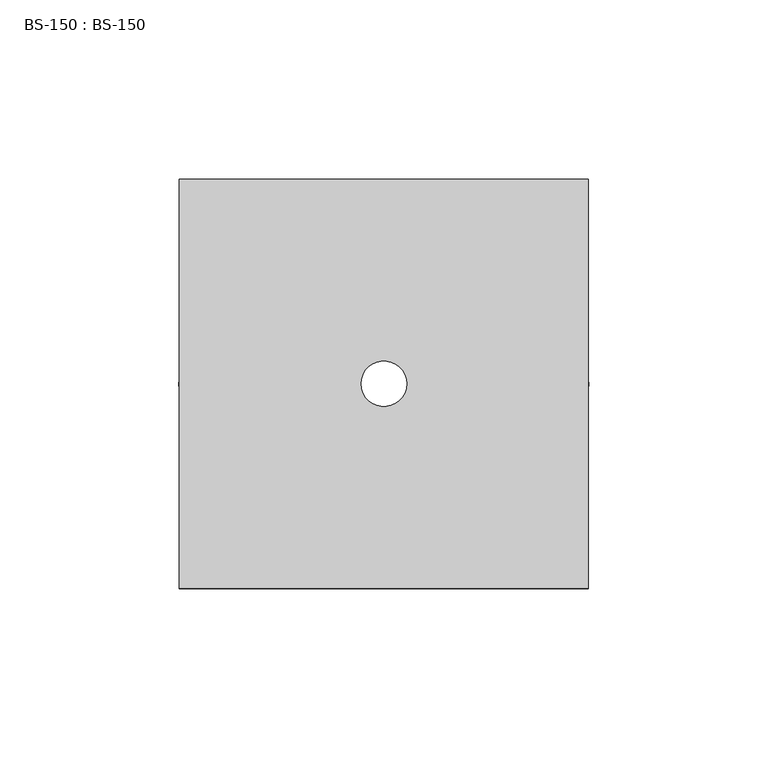
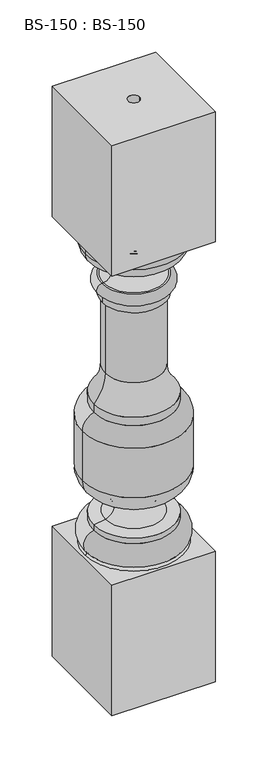
"""IFC4 building model written with IfcOpenShell, lengths in millimetres: proxy geometry, BS-150 : BS-150."""

from ifc_helpers import new_model, si_unit, point, frame, origin, place, context, project, spatial, polyline, circle_curve, ellipse_curve, trimmed, source, transform, mapped, element, save
from ifc_brep_helpers import plane_surface, cylinder_surface, revolved_surface, advanced_brep


def bs_150_bs_150_5f5358f5(model_context):
    return source(origin(), model_context, "Body", "AdvancedBrep", [
        advanced_brep(
        [(54.0969186, 0.0, 514.35), (54.0011339, 0.0, 504.8804325), (-54.0011339, 0.0, 504.8804325), (-54.0969186, 0.0, 514.35), (-53.1294174, 0.0, 155.7137021), (53.1294174, 0.0, 155.7137021), (54.2611446, 0.0, 152.4), (-54.2611446, 0.0, 152.4), (-44.5719186, 0.0, 177.8), (44.5719186, 0.0, 177.8), (-44.5719186, 0.0, 184.15), (44.5719186, 0.0, 184.15), (-31.8811264, 0.0, 186.4961273), (31.8811264, 0.0, 186.4961273), (-30.0495357, 0.0, 209.354439), (30.0495357, 0.0, 209.354439), (-35.0469186, 0.0, 211.1375), (35.0469186, 0.0, 211.1375), (-35.0469186, 0.0, 214.3125), (35.0469186, 0.0, 214.3125), (-57.2719186, 0.0, 240.3547686), (57.2719186, 0.0, 240.3547686), (-57.2719186, 0.0, 298.126457), (57.2719186, 0.0, 298.126457), (-44.5719186, 0.0, 315.9125), (44.5719186, 0.0, 315.9125), (-44.5719186, 0.0, 325.4375), (44.5719186, 0.0, 325.4375), (-31.8719186, 0.0, 357.1875), (31.8719186, 0.0, 357.1875), (-31.8719186, 0.0, 439.7375), (31.8719186, 0.0, 439.7375), (-35.0469186, 0.0, 441.325), (35.0469186, 0.0, 441.325), (-35.0469186, 0.0, 450.8732481), (35.0469186, 0.0, 450.8732481), (-35.6805079, 0.0, 463.5415748), (35.6805079, 0.0, 463.5415748), (-33.8798751, 0.0, 463.7220964), (33.8798751, 0.0, 463.7220964), (-31.252045, 0.0, 482.0270212), (31.252045, 0.0, 482.0270212), (-32.6656686, 0.0, 482.6), (32.6656686, 0.0, 482.6), (-32.6656686, 0.0, 488.95), (32.6656686, 0.0, 488.95), (-38.7219551, 0.0, 489.1771547), (38.7219551, 0.0, 489.1771547), (6.35, 0.0, 666.75), (6.35, 0.0, 0.0), (-6.35, 0.0, 0.0), (-6.35, 0.0, 666.75), (57.15, -57.15, 666.75), (57.15, 57.15, 666.75), (-57.15, 57.15, 666.75), (-57.15, -57.15, 666.75), (57.15, -57.15, 514.35), (-57.15, -57.15, 514.35), (-57.15, 57.15, 514.35), (57.15, 57.15, 514.35), (57.15, -57.15, 152.4), (57.15, 57.15, 152.4), (-57.15, 57.15, 152.4), (-57.15, -57.15, 152.4), (57.15, -57.15, 0.0), (-57.15, -57.15, 0.0), (-57.15, 57.15, 0.0), (57.15, 57.15, 0.0)],
        [
            (0, 1),
            (1, 2, circle_curve(frame((0.0, 0.0, 504.8804325), z_axis=(0.0, 0.0, 1.0), x_axis=(1.0, 0.0, 0.0)), 54.0011339)),
            (2, 3),
            (3, 0, circle_curve(frame((0.0, 0.0, 514.35), z_axis=(0.0, 0.0, -1.0), x_axis=(1.0, 0.0, 0.0)), 54.0969186)),
            (0, 3, circle_curve(frame((0.0, 0.0, 514.35), z_axis=(0.0, 0.0, -1.0), x_axis=(1.0, 0.0, 0.0)), 54.0969186)),
            (2, 1, circle_curve(frame((0.0, 0.0, 504.8804325), z_axis=(0.0, 0.0, 1.0), x_axis=(1.0, 0.0, 0.0)), 54.0011339)),
            (4, 5, circle_curve(frame((0.0, 0.0, 155.7137021), z_axis=(0.0, 0.0, -1.0), x_axis=(1.0, 0.0, 0.0)), 53.1294174)),
            (5, 6, circle_curve(frame((54.2611446, 0.0, 154.2501102), z_axis=(0.0, -1.0, 0.0), x_axis=(1.0, 0.0, 0.0)), 1.8501102)),
            (6, 7, circle_curve(frame((0.0, 0.0, 152.4), z_axis=(0.0, 0.0, 1.0), x_axis=(1.0, 0.0, 0.0)), 54.2611446)),
            (7, 4, circle_curve(frame((-54.2611446, 0.0, 154.2501102), z_axis=(0.0, -1.0, 0.0), x_axis=(-1.0, 0.0, 0.0)), 1.8501102)),
            (5, 4, circle_curve(frame((0.0, 0.0, 155.7137021), z_axis=(0.0, 0.0, -1.0), x_axis=(1.0, 0.0, 0.0)), 53.1294174)),
            (7, 6, circle_curve(frame((0.0, 0.0, 152.4), z_axis=(0.0, 0.0, 1.0), x_axis=(1.0, 0.0, 0.0)), 54.2611446)),
            (4, 8, circle_curve(frame((-42.0589026, 0.0, 164.1253315), z_axis=(0.0, 1.0, 0.0), x_axis=(-1.0, 0.0, 0.0)), 13.9036617)),
            (8, 9, circle_curve(frame((0.0, 0.0, 177.8), z_axis=(0.0, 0.0, -1.0), x_axis=(1.0, 0.0, 0.0)), 44.5719186)),
            (9, 5, circle_curve(frame((42.0589026, 0.0, 164.1253315), z_axis=(0.0, 1.0, 0.0), x_axis=(1.0, 0.0, 0.0)), 13.9036617)),
            (9, 8, circle_curve(frame((0.0, 0.0, 177.8), z_axis=(0.0, 0.0, -1.0), x_axis=(1.0, 0.0, 0.0)), 44.5719186)),
            (8, 10),
            (10, 11, circle_curve(frame((0.0, 0.0, 184.15), z_axis=(0.0, 0.0, -1.0), x_axis=(1.0, 0.0, 0.0)), 44.5719186)),
            (11, 9),
            (11, 10, circle_curve(frame((0.0, 0.0, 184.15), z_axis=(0.0, 0.0, -1.0), x_axis=(1.0, 0.0, 0.0)), 44.5719186)),
            (10, 12),
            (12, 13, circle_curve(frame((0.0, 0.0, 186.4961273), z_axis=(0.0, 0.0, -1.0), x_axis=(1.0, 0.0, 0.0)), 31.8811264)),
            (13, 11),
            (13, 12, circle_curve(frame((0.0, 0.0, 186.4961273), z_axis=(0.0, 0.0, -1.0), x_axis=(1.0, 0.0, 0.0)), 31.8811264)),
            (12, 14, circle_curve(frame((-34.0395558, 0.0, 198.1716146), z_axis=(0.0, -1.0, 0.0), x_axis=(-1.0, 0.0, 0.0)), 11.873324)),
            (14, 15, circle_curve(frame((0.0, 0.0, 209.354439), z_axis=(0.0, 0.0, -1.0), x_axis=(1.0, 0.0, 0.0)), 30.0495357)),
            (15, 13, circle_curve(frame((34.0395558, 0.0, 198.1716146), z_axis=(0.0, -1.0, 0.0), x_axis=(1.0, 0.0, 0.0)), 11.873324)),
            (15, 14, circle_curve(frame((0.0, 0.0, 209.354439), z_axis=(0.0, 0.0, -1.0), x_axis=(1.0, 0.0, 0.0)), 30.0495357)),
            (14, 16),
            (16, 17, circle_curve(frame((0.0, 0.0, 211.1375), z_axis=(0.0, 0.0, -1.0), x_axis=(1.0, 0.0, 0.0)), 35.0469186)),
            (17, 15),
            (17, 16, circle_curve(frame((0.0, 0.0, 211.1375), z_axis=(0.0, 0.0, -1.0), x_axis=(1.0, 0.0, 0.0)), 35.0469186)),
            (16, 18),
            (18, 19, circle_curve(frame((0.0, 0.0, 214.3125), z_axis=(0.0, 0.0, -1.0), x_axis=(1.0, 0.0, 0.0)), 35.0469186)),
            (19, 17),
            (19, 18, circle_curve(frame((0.0, 0.0, 214.3125), z_axis=(0.0, 0.0, -1.0), x_axis=(1.0, 0.0, 0.0)), 35.0469186)),
            (18, 20, circle_curve(frame((-30.9018313, 0.0, 240.3547686), z_axis=(0.0, 1.0, 0.0), x_axis=(-1.0, 0.0, 0.0)), 26.3700873)),
            (20, 21, circle_curve(frame((0.0, 0.0, 240.3547686), z_axis=(0.0, 0.0, -1.0), x_axis=(1.0, 0.0, 0.0)), 57.2719186)),
            (21, 19, circle_curve(frame((30.9018313, 0.0, 240.3547686), z_axis=(0.0, 1.0, 0.0), x_axis=(1.0, 0.0, 0.0)), 26.3700873)),
            (21, 20, circle_curve(frame((0.0, 0.0, 240.3547686), z_axis=(0.0, 0.0, -1.0), x_axis=(1.0, 0.0, 0.0)), 57.2719186)),
            (20, 22),
            (22, 23, circle_curve(frame((0.0, 0.0, 298.126457), z_axis=(0.0, 0.0, -1.0), x_axis=(1.0, 0.0, 0.0)), 57.2719186)),
            (23, 21),
            (23, 22, circle_curve(frame((0.0, 0.0, 298.126457), z_axis=(0.0, 0.0, -1.0), x_axis=(1.0, 0.0, 0.0)), 57.2719186)),
            (22, 24, circle_curve(frame((-38.467457, 0.0, 298.126457), z_axis=(0.0, 1.0, 0.0), x_axis=(-1.0, 0.0, 0.0)), 18.8044616)),
            (24, 25, circle_curve(frame((0.0, 0.0, 315.9125), z_axis=(0.0, 0.0, -1.0), x_axis=(1.0, 0.0, 0.0)), 44.5719186)),
            (25, 23, circle_curve(frame((38.467457, 0.0, 298.126457), z_axis=(0.0, 1.0, 0.0), x_axis=(1.0, 0.0, 0.0)), 18.8044616)),
            (25, 24, circle_curve(frame((0.0, 0.0, 315.9125), z_axis=(0.0, 0.0, -1.0), x_axis=(1.0, 0.0, 0.0)), 44.5719186)),
            (24, 26),
            (26, 27, circle_curve(frame((0.0, 0.0, 325.4375), z_axis=(0.0, 0.0, -1.0), x_axis=(1.0, 0.0, 0.0)), 44.5719186)),
            (27, 25),
            (27, 26, circle_curve(frame((0.0, 0.0, 325.4375), z_axis=(0.0, 0.0, -1.0), x_axis=(1.0, 0.0, 0.0)), 44.5719186)),
            (26, 28, circle_curve(frame((-77.9094186, 0.0, 357.1875), z_axis=(0.0, -1.0, 0.0), x_axis=(-1.0, 0.0, 0.0)), 46.0375)),
            (28, 29, circle_curve(frame((0.0, 0.0, 357.1875), z_axis=(0.0, 0.0, -1.0), x_axis=(1.0, 0.0, 0.0)), 31.8719186)),
            (29, 27, circle_curve(frame((77.9094186, 0.0, 357.1875), z_axis=(0.0, -1.0, 0.0), x_axis=(1.0, 0.0, 0.0)), 46.0375)),
            (29, 28, circle_curve(frame((0.0, 0.0, 357.1875), z_axis=(0.0, 0.0, -1.0), x_axis=(1.0, 0.0, 0.0)), 31.8719186)),
            (28, 30),
            (30, 31, circle_curve(frame((0.0, 0.0, 439.7375), z_axis=(0.0, 0.0, -1.0), x_axis=(1.0, 0.0, 0.0)), 31.8719186)),
            (31, 29),
            (31, 30, circle_curve(frame((0.0, 0.0, 439.7375), z_axis=(0.0, 0.0, -1.0), x_axis=(1.0, 0.0, 0.0)), 31.8719186)),
            (30, 32),
            (32, 33, circle_curve(frame((0.0, 0.0, 441.325), z_axis=(0.0, 0.0, -1.0), x_axis=(1.0, 0.0, 0.0)), 35.0469186)),
            (33, 31),
            (33, 32, circle_curve(frame((0.0, 0.0, 441.325), z_axis=(0.0, 0.0, -1.0), x_axis=(1.0, 0.0, 0.0)), 35.0469186)),
            (32, 34),
            (34, 35, circle_curve(frame((0.0, 0.0, 450.8732481), z_axis=(0.0, 0.0, -1.0), x_axis=(1.0, 0.0, 0.0)), 35.0469186)),
            (35, 33),
            (35, 34, circle_curve(frame((0.0, 0.0, 450.8732481), z_axis=(0.0, 0.0, -1.0), x_axis=(1.0, 0.0, 0.0)), 35.0469186)),
            (34, 36, circle_curve(frame((-35.0470671, 0.0, 457.2232481), z_axis=(0.0, 1.0, 0.0), x_axis=(-1.0, 0.0, 0.0)), 6.35)),
            (36, 37, circle_curve(frame((0.0, 0.0, 463.5415748), z_axis=(0.0, 0.0, -1.0), x_axis=(1.0, 0.0, 0.0)), 35.6805079)),
            (37, 35, circle_curve(frame((35.0470671, 0.0, 457.2232481), z_axis=(0.0, 1.0, 0.0), x_axis=(1.0, 0.0, 0.0)), 6.35)),
            (37, 36, circle_curve(frame((0.0, 0.0, 463.5415748), z_axis=(0.0, 0.0, -1.0), x_axis=(1.0, 0.0, 0.0)), 35.6805079)),
            (36, 38),
            (38, 39, circle_curve(frame((0.0, 0.0, 463.7220964), z_axis=(0.0, 0.0, -1.0), x_axis=(1.0, 0.0, 0.0)), 33.8798751)),
            (39, 37),
            (39, 38, circle_curve(frame((0.0, 0.0, 463.7220964), z_axis=(0.0, 0.0, -1.0), x_axis=(1.0, 0.0, 0.0)), 33.8798751)),
            (38, 40, circle_curve(frame((-34.8300362, 0.0, 473.1995865), z_axis=(0.0, -1.0, 0.0), x_axis=(-1.0, 0.0, 0.0)), 9.525)),
            (40, 41, circle_curve(frame((0.0, 0.0, 482.0270212), z_axis=(0.0, 0.0, -1.0), x_axis=(1.0, 0.0, 0.0)), 31.252045)),
            (41, 39, circle_curve(frame((34.8300362, 0.0, 473.1995865), z_axis=(0.0, -1.0, 0.0), x_axis=(1.0, 0.0, 0.0)), 9.525)),
            (41, 40, circle_curve(frame((0.0, 0.0, 482.0270212), z_axis=(0.0, 0.0, -1.0), x_axis=(1.0, 0.0, 0.0)), 31.252045)),
            (40, 42),
            (42, 43, circle_curve(frame((0.0, 0.0, 482.6), z_axis=(0.0, 0.0, -1.0), x_axis=(1.0, 0.0, 0.0)), 32.6656686)),
            (43, 41),
            (43, 42, circle_curve(frame((0.0, 0.0, 482.6), z_axis=(0.0, 0.0, -1.0), x_axis=(1.0, 0.0, 0.0)), 32.6656686)),
            (42, 44),
            (44, 45, circle_curve(frame((0.0, 0.0, 488.95), z_axis=(0.0, 0.0, -1.0), x_axis=(1.0, 0.0, 0.0)), 32.6656686)),
            (45, 43),
            (45, 44, circle_curve(frame((0.0, 0.0, 488.95), z_axis=(0.0, 0.0, -1.0), x_axis=(1.0, 0.0, 0.0)), 32.6656686)),
            (44, 46),
            (46, 47, circle_curve(frame((0.0, 0.0, 489.1771547), z_axis=(0.0, 0.0, -1.0), x_axis=(1.0, 0.0, 0.0)), 38.7219551)),
            (47, 45),
            (47, 46, circle_curve(frame((0.0, 0.0, 489.1771547), z_axis=(0.0, 0.0, -1.0), x_axis=(1.0, 0.0, 0.0)), 38.7219551)),
            (1, 47, circle_curve(frame((38.1269459, 0.0, 505.041), z_axis=(0.0, 1.0, 0.0), x_axis=(1.0, 0.0, 0.0)), 15.875)),
            (46, 2, circle_curve(frame((-38.1269459, 0.0, 505.041), z_axis=(0.0, 1.0, 0.0), x_axis=(-1.0, 0.0, 0.0)), 15.875)),
            (48, 49),
            (49, 50, circle_curve(frame((0.0, 0.0, 0.0), z_axis=(0.0, 0.0, -1.0), x_axis=(1.0, 0.0, 0.0)), 6.35)),
            (50, 51),
            (51, 48, circle_curve(frame((0.0, 0.0, 666.75), z_axis=(0.0, 0.0, 1.0), x_axis=(1.0, 0.0, 0.0)), 6.35)),
            (48, 51, circle_curve(frame((0.0, 0.0, 666.75), z_axis=(0.0, 0.0, 1.0), x_axis=(1.0, 0.0, 0.0)), 6.35)),
            (50, 49, circle_curve(frame((0.0, 0.0, 0.0), z_axis=(0.0, 0.0, -1.0), x_axis=(1.0, 0.0, 0.0)), 6.35)),
            (52, 53),
            (53, 54),
            (54, 55),
            (55, 52),
            (56, 57),
            (57, 58),
            (58, 59),
            (59, 56),
            (52, 56),
            (59, 53),
            (58, 54),
            (57, 55),
            (60, 61),
            (61, 62),
            (62, 63),
            (63, 60),
            (64, 65),
            (65, 66),
            (66, 67),
            (67, 64),
            (60, 64),
            (67, 61),
            (66, 62),
            (65, 63),
        ],
        [
            revolved_surface(polyline([(54.0011339, 0.0, 504.8804325), (54.0969186, 0.0, 514.35)]), (0.0, 0.0, 666.75), (0.0, 0.0, 1.0)),
            revolved_surface(trimmed(ellipse_curve(frame((54.2611446, 0.0, 154.2501102), z_axis=(0.0, 1.0, 0.0), x_axis=(1.0, 0.0, 0.0)), 1.8501102, 1.8501102), [point((54.2611446, 0.0, 152.4))], [point((53.1294174, 0.0, 155.7137021))], True, "CARTESIAN"), (0.0, 0.0, 666.75), (0.0, 0.0, 1.0)),
            revolved_surface(trimmed(ellipse_curve(frame((42.0589026, 0.0, 164.1253315), z_axis=(0.0, -1.0, 0.0), x_axis=(1.0, 0.0, 0.0)), 13.9036617, 13.9036617), [point((53.1294174, 0.0, 155.7137021))], [point((44.5719186, 0.0, 177.8))], True, "CARTESIAN"), (0.0, 0.0, 666.75), (0.0, 0.0, 1.0)),
            cylinder_surface(frame((0.0, 0.0, 666.75), z_axis=(0.0, 0.0, 1.0), x_axis=(1.0, 0.0, 0.0)), 44.5719186),
            revolved_surface(polyline([(44.5719186, 0.0, 184.15), (31.8811264, 0.0, 186.4961273)]), (0.0, 0.0, 666.75), (0.0, 0.0, 1.0)),
            revolved_surface(trimmed(ellipse_curve(frame((34.0395558, 0.0, 198.1716146), z_axis=(0.0, 1.0, 0.0), x_axis=(1.0, 0.0, 0.0)), 11.873324, 11.873324), [point((31.8811264, 0.0, 186.4961273))], [point((30.0495357, 0.0, 209.354439))], True, "CARTESIAN"), (0.0, 0.0, 666.75), (0.0, 0.0, 1.0)),
            revolved_surface(polyline([(30.0495357, 0.0, 209.354439), (35.0469186, 0.0, 211.1375)]), (0.0, 0.0, 666.75), (0.0, 0.0, 1.0)),
            cylinder_surface(frame((0.0, 0.0, 666.75), z_axis=(0.0, 0.0, 1.0), x_axis=(1.0, 0.0, 0.0)), 35.0469186),
            revolved_surface(trimmed(ellipse_curve(frame((30.9018313, 0.0, 240.3547686), z_axis=(0.0, -1.0, 0.0), x_axis=(1.0, 0.0, 0.0)), 26.3700873, 26.3700873), [point((35.0469186, 0.0, 214.3125))], [point((57.2719186, 0.0, 240.3547686))], True, "CARTESIAN"), (0.0, 0.0, 666.75), (0.0, 0.0, 1.0)),
            cylinder_surface(frame((0.0, 0.0, 666.75), z_axis=(0.0, 0.0, 1.0), x_axis=(1.0, 0.0, 0.0)), 57.2719186),
            revolved_surface(trimmed(ellipse_curve(frame((38.467457, 0.0, 298.126457), z_axis=(0.0, -1.0, 0.0), x_axis=(1.0, 0.0, 0.0)), 18.8044616, 18.8044616), [point((57.2719186, 0.0, 298.126457))], [point((44.5719186, 0.0, 315.9125))], True, "CARTESIAN"), (0.0, 0.0, 666.75), (0.0, 0.0, 1.0)),
            revolved_surface(trimmed(ellipse_curve(frame((77.9094186, 0.0, 357.1875), z_axis=(0.0, 1.0, 0.0), x_axis=(1.0, 0.0, 0.0)), 46.0375, 46.0375), [point((44.5719186, 0.0, 325.4375))], [point((31.8719186, 0.0, 357.1875))], True, "CARTESIAN"), (0.0, 0.0, 666.75), (0.0, 0.0, 1.0)),
            cylinder_surface(frame((0.0, 0.0, 666.75), z_axis=(0.0, 0.0, 1.0), x_axis=(1.0, 0.0, 0.0)), 31.8719186),
            revolved_surface(polyline([(31.8719186, 0.0, 439.7375), (35.0469186, 0.0, 441.325)]), (0.0, 0.0, 666.75), (0.0, 0.0, 1.0)),
            revolved_surface(trimmed(ellipse_curve(frame((35.0470671, 0.0, 457.2232481), z_axis=(0.0, -1.0, 0.0), x_axis=(1.0, 0.0, 0.0)), 6.35, 6.35), [point((35.0469186, 0.0, 450.8732481))], [point((35.6805079, 0.0, 463.5415748))], True, "CARTESIAN"), (0.0, 0.0, 666.75), (0.0, 0.0, 1.0)),
            revolved_surface(polyline([(35.6805079, 0.0, 463.5415748), (33.8798751, 0.0, 463.7220964)]), (0.0, 0.0, 666.75), (0.0, 0.0, 1.0)),
            revolved_surface(trimmed(ellipse_curve(frame((34.8300362, 0.0, 473.1995865), z_axis=(0.0, 1.0, 0.0), x_axis=(1.0, 0.0, 0.0)), 9.525, 9.525), [point((33.8798751, 0.0, 463.7220964))], [point((31.252045, 0.0, 482.0270212))], True, "CARTESIAN"), (0.0, 0.0, 666.75), (0.0, 0.0, 1.0)),
            revolved_surface(polyline([(31.252045, 0.0, 482.0270212), (32.6656686, 0.0, 482.6)]), (0.0, 0.0, 666.75), (0.0, 0.0, 1.0)),
            cylinder_surface(frame((0.0, 0.0, 666.75), z_axis=(0.0, 0.0, 1.0), x_axis=(1.0, 0.0, 0.0)), 32.6656686),
            revolved_surface(polyline([(32.6656686, 0.0, 488.95), (38.7219551, 0.0, 489.1771547)]), (0.0, 0.0, 666.75), (0.0, 0.0, 1.0)),
            revolved_surface(trimmed(ellipse_curve(frame((38.1269459, 0.0, 505.041), z_axis=(0.0, -1.0, 0.0), x_axis=(1.0, 0.0, 0.0)), 15.875, 15.875), [point((38.7219551, 0.0, 489.1771547))], [point((54.0011339, 0.0, 504.8804325))], True, "CARTESIAN"), (0.0, 0.0, 666.75), (0.0, 0.0, 1.0)),
            revolved_surface(polyline([(6.35, 0.0, 666.75), (6.35, 0.0, 0.0)]), (0.0, 0.0, 0.0), (0.0, 0.0, 1.0)),
            plane_surface(frame((57.15, -107.95, 666.75), z_axis=(0.0, 0.0, 1.0), x_axis=(0.0, 1.0, 0.0))),
            plane_surface(frame((57.15, -107.95, 514.35), z_axis=(0.0, 0.0, -1.0), x_axis=(0.0, -1.0, 0.0))),
            plane_surface(frame((57.15, -57.15, 666.75), z_axis=(1.0, 0.0, 0.0), x_axis=(0.0, 0.0, -1.0))),
            plane_surface(frame((57.15, 57.15, 666.75), z_axis=(0.0, 1.0, 0.0), x_axis=(0.0, 0.0, -1.0))),
            plane_surface(frame((-57.15, 57.15, 666.75), z_axis=(-1.0, 0.0, 0.0), x_axis=(0.0, 0.0, -1.0))),
            plane_surface(frame((-57.15, -57.15, 666.75), z_axis=(0.0, -1.0, 0.0), x_axis=(0.0, 0.0, -1.0))),
            plane_surface(frame((57.15, -107.95, 152.4), z_axis=(0.0, 0.0, 1.0), x_axis=(0.0, 1.0, 0.0))),
            plane_surface(frame((57.15, -107.95, 0.0), z_axis=(0.0, 0.0, -1.0), x_axis=(0.0, -1.0, 0.0))),
            plane_surface(frame((57.15, -57.15, 152.4), z_axis=(1.0, 0.0, 0.0), x_axis=(0.0, 0.0, -1.0))),
            plane_surface(frame((57.15, 57.15, 152.4), z_axis=(0.0, 1.0, 0.0), x_axis=(0.0, 0.0, -1.0))),
            plane_surface(frame((-57.15, 57.15, 152.4), z_axis=(-1.0, 0.0, 0.0), x_axis=(0.0, 0.0, -1.0))),
            plane_surface(frame((-57.15, -57.15, 152.4), z_axis=(0.0, -1.0, 0.0), x_axis=(0.0, 0.0, -1.0))),
        ],
        [
            (0, [[1, 2, 3, 4]]),
            (0, [[-1, 5, -3, 6]]),
            (1, [[7, 8, 9, 10]]),
            (1, [[-8, 11, -10, 12]]),
            (2, [[-7, 13, 14, 15]]),
            (2, [[-11, -15, 16, -13]]),
            (3, [[-14, 17, 18, 19]]),
            (3, [[-16, -19, 20, -17]]),
            (4, [[-18, 21, 22, 23]]),
            (4, [[-20, -23, 24, -21]]),
            (5, [[-22, 25, 26, 27]]),
            (5, [[-24, -27, 28, -25]]),
            (6, [[-26, 29, 30, 31]]),
            (6, [[-28, -31, 32, -29]]),
            (7, [[-30, 33, 34, 35]]),
            (7, [[-32, -35, 36, -33]]),
            (8, [[-34, 37, 38, 39]]),
            (8, [[-36, -39, 40, -37]]),
            (9, [[-38, 41, 42, 43]]),
            (9, [[-40, -43, 44, -41]]),
            (10, [[-42, 45, 46, 47]]),
            (10, [[-44, -47, 48, -45]]),
            (3, [[-46, 49, 50, 51]]),
            (3, [[-48, -51, 52, -49]]),
            (11, [[-50, 53, 54, 55]]),
            (11, [[-52, -55, 56, -53]]),
            (12, [[-54, 57, 58, 59]]),
            (12, [[-56, -59, 60, -57]]),
            (13, [[-58, 61, 62, 63]]),
            (13, [[-60, -63, 64, -61]]),
            (7, [[-62, 65, 66, 67]]),
            (7, [[-64, -67, 68, -65]]),
            (14, [[-66, 69, 70, 71]]),
            (14, [[-68, -71, 72, -69]]),
            (15, [[-70, 73, 74, 75]]),
            (15, [[-72, -75, 76, -73]]),
            (16, [[-74, 77, 78, 79]]),
            (16, [[-76, -79, 80, -77]]),
            (17, [[-78, 81, 82, 83]]),
            (17, [[-80, -83, 84, -81]]),
            (18, [[-82, 85, 86, 87]]),
            (18, [[-84, -87, 88, -85]]),
            (19, [[-86, 89, 90, 91]]),
            (19, [[-88, -91, 92, -89]]),
            (20, [[-2, 93, -90, 94]]),
            (20, [[-6, -94, -92, -93]]),
            (21, [[95, 96, 97, 98]]),
            (21, [[-95, 99, -97, 100]]),
            (22, [[101, 102, 103, 104], [-98, -99]]),
            (23, [[105, 106, 107, 108], [-4, -5]]),
            (24, [[-101, 109, -108, 110]]),
            (25, [[-102, -110, -107, 111]]),
            (26, [[-103, -111, -106, 112]]),
            (27, [[-104, -112, -105, -109]]),
            (28, [[113, 114, 115, 116], [-9, -12]]),
            (29, [[117, 118, 119, 120], [-96, -100]]),
            (30, [[-113, 121, -120, 122]]),
            (31, [[-114, -122, -119, 123]]),
            (32, [[-115, -123, -118, 124]]),
            (33, [[-116, -124, -117, -121]]),
        ],
    ),
    ])


if __name__ == "__main__":
    model = new_model("IFC4")
    model_context = context("Model", 3, world=origin())
    ifc_project = project(units=[si_unit("LENGTHUNIT", "METRE", prefix="MILLI")], contexts=[model_context])
    site = spatial("IfcSite", under=ifc_project)
    building = spatial("IfcBuilding", under=site)
    placement = place(None, origin())
    bs_150_bs_150_shape = bs_150_bs_150_5f5358f5(model_context)
    element("IfcBuildingElementProxy", 1, Name="BS-150 : BS-150", ObjectType="BS-150 : BS-150", at=placement, inside=building, context=model_context, shape_type="MappedRepresentation", body=[
        mapped(bs_150_bs_150_shape, transform((0.0, 0.0, 0.0), x_axis=(1.0, 0.0, 0.0), y_axis=(0.0, 1.0, 0.0), z_axis=(0.0, 0.0, 1.0))),
    ])
    save(model, "model.ifc")
